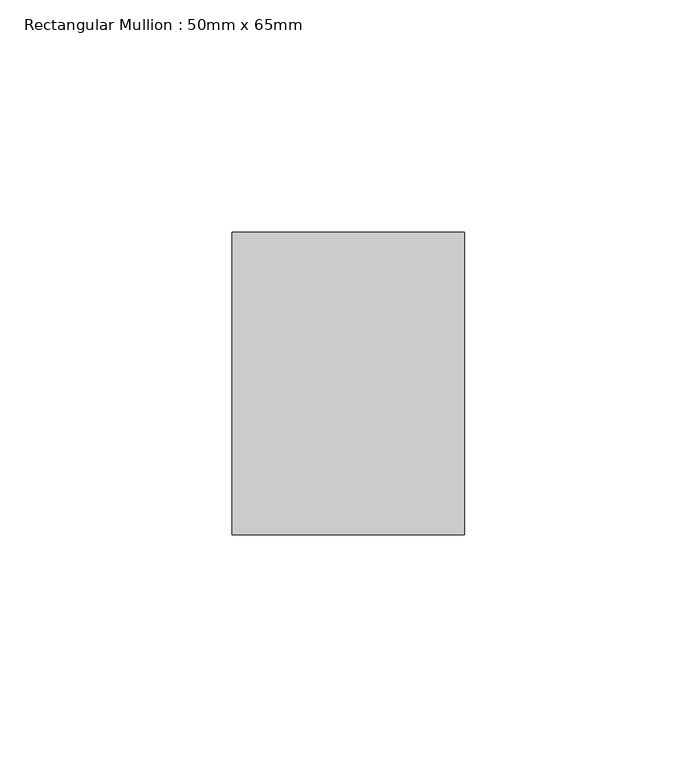
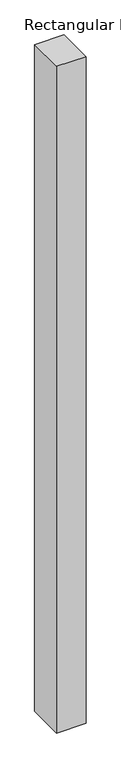
"""IFC4 building model written with IfcOpenShell, lengths in millimetres: member geometry, Rectangular Mullion : 50mm x 65mm."""

from ifc_helpers import new_model, si_unit, frame, origin, place, context, project, spatial, polyline, outline, extrude, source, transform, mapped, element, save


def rectangular_mullion_50mm_x_65mm_0c5fc43d(model_context):
    return source(origin(), model_context, "Body", "SweptSolid", [
        extrude(outline(polyline([(25.0, 32.5), (25.0, -32.5), (-25.0, -32.5), (-25.0, 32.5), (25.0, 32.5)])), frame((0.0, 0.0, -1205.1793042), z_axis=(0.0, 0.0, 1.0), x_axis=(1.0, 0.0, 0.0)), (0.0, 0.0, 1.0), 1205.1793042),
    ])


if __name__ == "__main__":
    model = new_model("IFC4")
    model_context = context("Model", 3, world=origin())
    ifc_project = project(units=[si_unit("LENGTHUNIT", "METRE", prefix="MILLI")], contexts=[model_context])
    site = spatial("IfcSite", under=ifc_project)
    building = spatial("IfcBuilding", under=site)
    placement = place(None, origin())
    rectangular_mullion_50mm_x_65mm_shape = rectangular_mullion_50mm_x_65mm_0c5fc43d(model_context)
    element("IfcMember", 1, ObjectType="Rectangular Mullion : 50mm x 65mm", at=placement, inside=building, context=model_context, shape_type="MappedRepresentation", body=[
        mapped(rectangular_mullion_50mm_x_65mm_shape, transform((0.0, 0.0, 0.0), x_axis=(1.0, 0.0, 0.0), y_axis=(0.0, 1.0, 0.0), z_axis=(0.0, 0.0, 1.0))),
    ])
    save(model, "model.ifc")
